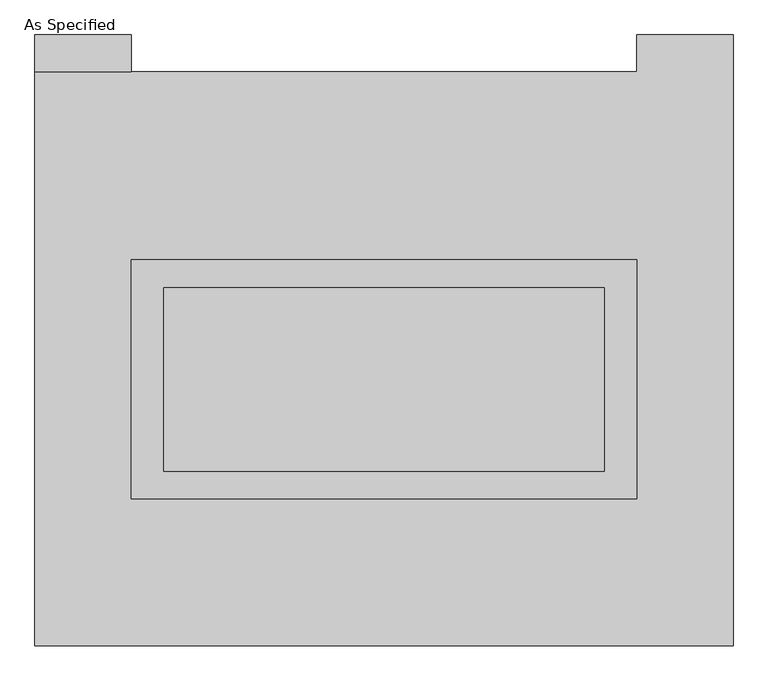
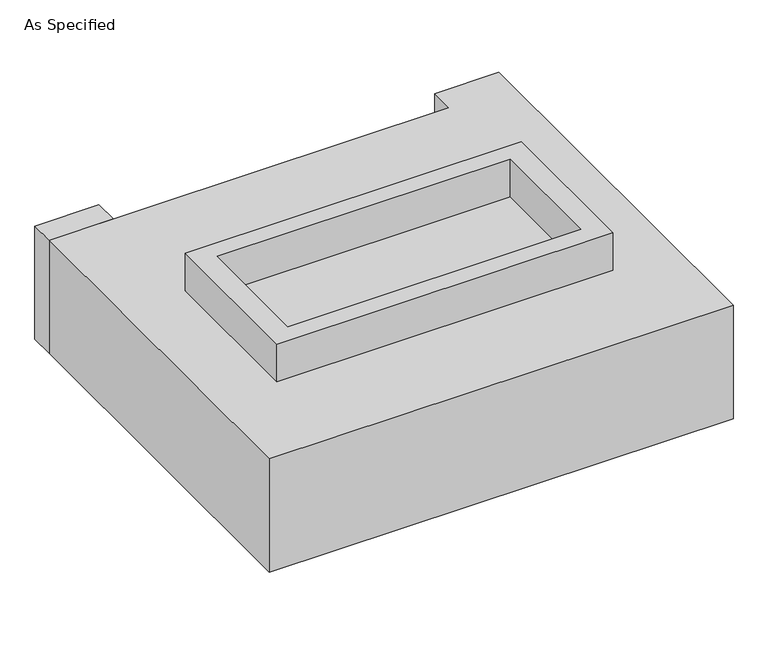
"""IFC4 building model written with IfcOpenShell, lengths in millimetres: proxy geometry, As Specified."""

from ifc_helpers import new_model, si_unit, frame, origin, place, context, project, spatial, polyline, outline, extrude, source, transform, mapped, element, save


def as_specified_5f057457(model_context):
    return source(origin(), model_context, "Body", "SweptSolid", [
        extrude(outline(polyline([(698.5, 273.05), (698.5, -387.35), (-698.5, -387.35), (-698.5, 273.05), (698.5, 273.05)]), holes=[polyline([(609.6, 196.85), (-609.6, 196.85), (-609.6, -311.15), (609.6, -311.15), (609.6, 196.85)])]), frame((0.0, 0.0, -688.975), z_axis=(0.0, 0.0, 1.0), x_axis=(1.0, 0.0, 0.0)), (0.0, 0.0, 1.0), 165.1),
        extrude(outline(polyline([(698.5, 273.05), (698.5, -387.35), (-698.5, -387.35), (-698.5, 273.05), (698.5, 273.05)]), holes=[polyline([(609.6, 196.85), (-609.6, 196.85), (-609.6, -311.15), (609.6, -311.15), (609.6, 196.85)])]), frame((0.0, 0.0, -25.4), z_axis=(0.0, 0.0, 1.0), x_axis=(1.0, 0.0, 0.0)), (0.0, 0.0, 1.0), 165.1),
        extrude(outline(polyline([(-698.5, 793.75), (-965.2, 793.75), (-965.2, 895.35), (-698.5, 895.35), (-698.5, 793.75)])), frame((0.0, 0.0, -523.875), z_axis=(0.0, 0.0, 1.0), x_axis=(1.0, 0.0, 0.0)), (0.0, 0.0, 1.0), 498.475),
        extrude(outline(polyline([(609.6, 196.85), (609.6, -311.15), (-609.6, -311.15), (-609.6, 196.85), (609.6, 196.85)])), frame((0.0, 0.0, -523.875), z_axis=(0.0, 0.0, 1.0), x_axis=(1.0, 0.0, 0.0)), (0.0, 0.0, 1.0), 4.9609375),
        extrude(outline(polyline([(609.6, 196.85), (609.6, -311.15), (-609.6, -311.15), (-609.6, 196.85), (609.6, 196.85)])), frame((0.0, 0.0, -30.3609375), z_axis=(0.0, 0.0, 1.0), x_axis=(1.0, 0.0, 0.0)), (0.0, 0.0, 1.0), 4.9609375),
        extrude(outline(polyline([(965.2, -793.75), (-965.2, -793.75), (-965.2, 793.75), (698.5, 793.75), (698.5, 895.35), (965.2, 895.35), (965.2, -793.75)]), holes=[polyline([(-698.5, 273.05), (-698.5, -387.35), (698.5, -387.35), (698.5, 273.05), (-698.5, 273.05)])]), frame((0.0, 0.0, -523.875), z_axis=(0.0, 0.0, 1.0), x_axis=(1.0, 0.0, 0.0)), (0.0, 0.0, 1.0), 498.475),
    ])


if __name__ == "__main__":
    model = new_model("IFC4")
    model_context = context("Model", 3, world=origin())
    ifc_project = project(units=[si_unit("LENGTHUNIT", "METRE", prefix="MILLI")], contexts=[model_context])
    site = spatial("IfcSite", under=ifc_project)
    building = spatial("IfcBuilding", under=site)
    placement = place(None, origin())
    as_specified_shape = as_specified_5f057457(model_context)
    element("IfcBuildingElementProxy", 1, Name="As Specified", ObjectType="As Specified", at=placement, inside=building, context=model_context, shape_type="MappedRepresentation", body=[
        mapped(as_specified_shape, transform((0.0, 0.0, 0.0), x_axis=(1.0, 0.0, 0.0), y_axis=(0.0, 1.0, 0.0), z_axis=(0.0, 0.0, 1.0))),
    ])
    save(model, "model.ifc")
